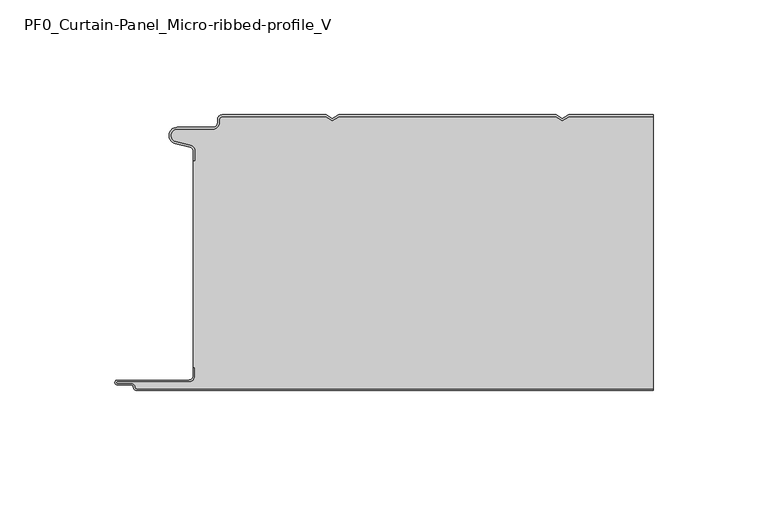
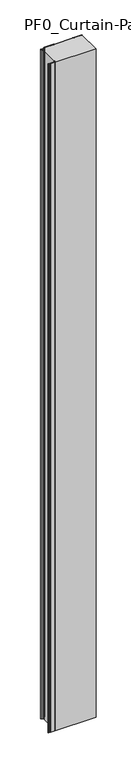
"""IFC4 building model written with IfcOpenShell, lengths in millimetres: plate geometry, PF0_Curtain-Panel_Micro-ribbed-profile_V."""

from ifc_helpers import new_model, si_unit, point, frame_2d, origin, origin_with_axes, place, context, project, spatial, polyline, circle_curve, trimmed, segment, composite_curve, outline, extrude, source, transform, mapped, element, save


def pf0_curtain_panel_micro_ribbed_profile_v_60fbdc9e(model_context):
    return source(origin(), model_context, "Body", "SweptSolid", [
        extrude(outline(composite_curve([segment(trimmed(circle_curve(frame_2d((-102.0, -15.878557)), 2.0), [point((-100.0, -15.878557))], [point((-101.5500978, -13.9298169))], True, "CARTESIAN"), True, "CONTINUOUS"), segment(polyline([(-101.5500978, -13.9298169), (-107.7098239, -12.507732)]), True, "CONTINUOUS"), segment(trimmed(circle_curve(frame_2d((-106.9, -9.0)), 3.6), [point((-107.7098239, -12.507732))], [point((-106.9, -5.4))], False, "CARTESIAN"), True, "CONTINUOUS"), segment(polyline([(-106.9, -5.4), (-91.4, -5.4)]), True, "CONTINUOUS"), segment(trimmed(circle_curve(frame_2d((-91.4, -3.4)), 2.0), [point((-91.4, -5.4))], [point((-89.4, -3.4))], True, "CARTESIAN"), True, "CONTINUOUS"), segment(polyline([(-89.4, -3.4), (-89.4, -2.0)]), True, "CONTINUOUS"), segment(trimmed(circle_curve(frame_2d((-87.4, -2.0)), 2.0), [point((-89.4, -2.0))], [point((-87.4, 0.0))], False, "CARTESIAN"), True, "CONTINUOUS"), segment(polyline([(-87.4, 0.0), (-42.0999995, 0.0), (-39.4, -1.5588455), (-36.7000005, 0.0), (57.9000005, 0.0), (60.6, -1.5588455), (63.2999995, 0.0), (100.0, 0.0), (100.0, -0.8), (63.5143588, -0.8), (60.6, -2.482606), (57.6856412, -0.8), (-36.4856412, -0.8), (-39.4, -2.482606), (-42.3143588, -0.8), (-87.4, -0.8)]), True, "CONTINUOUS"), segment(trimmed(circle_curve(frame_2d((-87.4, -2.0)), 1.2), [point((-87.4, -0.8))], [point((-88.6, -2.0))], True, "CARTESIAN"), True, "CONTINUOUS"), segment(polyline([(-88.6, -2.0), (-88.6, -3.4)]), True, "CONTINUOUS"), segment(trimmed(circle_curve(frame_2d((-91.4, -3.4)), 2.8), [point((-88.6, -3.4))], [point((-91.4, -6.2))], False, "CARTESIAN"), True, "CONTINUOUS"), segment(polyline([(-91.4, -6.2), (-106.9, -6.2)]), True, "CONTINUOUS"), segment(trimmed(circle_curve(frame_2d((-106.9, -9.0)), 2.8), [point((-106.9, -6.2))], [point((-107.529863, -11.7282362))], True, "CARTESIAN"), True, "CONTINUOUS"), segment(polyline([(-107.529863, -11.7282362), (-101.370137, -13.150321)]), True, "CONTINUOUS"), segment(trimmed(circle_curve(frame_2d((-102.0, -15.878557)), 2.8), [point((-101.370137, -13.150321))], [point((-99.2, -15.878557))], False, "CARTESIAN"), True, "CONTINUOUS"), segment(polyline([(-99.2, -15.878557), (-99.2, -20.0), (-100.0, -20.0), (-100.0, -15.878557)]), True, "CONTINUOUS")], self_intersect=False)), origin_with_axes(), (0.0, 0.0, 1.0), 3500.0),
        extrude(outline(composite_curve([segment(polyline([(-99.2, -110.0), (-100.0, -110.0), (-100.0, -20.0), (-99.2, -20.0), (-99.2, -15.878557)]), True, "CONTINUOUS"), segment(trimmed(circle_curve(frame_2d((-102.0, -15.878557)), 2.8), [point((-99.2, -15.878557))], [point((-101.370137, -13.1503208))], True, "CARTESIAN"), True, "CONTINUOUS"), segment(polyline([(-101.370137, -13.1503208), (-107.529863, -11.7282362)]), True, "CONTINUOUS"), segment(trimmed(circle_curve(frame_2d((-106.9, -9.0)), 2.8), [point((-107.529863, -11.7282362))], [point((-106.9, -6.2))], False, "CARTESIAN"), True, "CONTINUOUS"), segment(polyline([(-106.9, -6.2), (-91.4, -6.2)]), True, "CONTINUOUS"), segment(trimmed(circle_curve(frame_2d((-91.4, -3.4)), 2.8), [point((-91.4, -6.2))], [point((-88.6, -3.4))], True, "CARTESIAN"), True, "CONTINUOUS"), segment(polyline([(-88.6, -3.4), (-88.6, -2.0)]), True, "CONTINUOUS"), segment(trimmed(circle_curve(frame_2d((-87.4, -2.0)), 1.2), [point((-88.6, -2.0))], [point((-87.4, -0.8))], False, "CARTESIAN"), True, "CONTINUOUS"), segment(polyline([(-87.4, -0.8), (-42.3143588, -0.8), (-39.4, -2.482606), (-36.4856412, -0.8), (57.6856412, -0.8), (60.6, -2.482606), (63.5143588, -0.8), (100.0, -0.8), (100.0, -119.2), (-124.4, -119.2)]), True, "CONTINUOUS"), segment(trimmed(circle_curve(frame_2d((-124.4, -118.4)), 0.8), [point((-124.4, -119.2))], [point((-125.2, -118.4))], False, "CARTESIAN"), True, "CONTINUOUS"), segment(trimmed(circle_curve(frame_2d((-126.9, -118.6133333)), 1.7133333), [point((-125.2, -118.4))], [point((-126.9, -116.9))], True, "CARTESIAN"), True, "CONTINUOUS"), segment(polyline([(-126.9, -116.9), (-132.8700312, -116.9)]), True, "CONTINUOUS"), segment(trimmed(circle_curve(frame_2d((-132.8700312, -116.6)), 0.3), [point((-132.8700312, -116.9))], [point((-132.8700312, -116.3))], False, "CARTESIAN"), True, "CONTINUOUS"), segment(polyline([(-132.8700312, -116.3), (-102.0, -116.3)]), True, "CONTINUOUS"), segment(trimmed(circle_curve(frame_2d((-102.0, -113.5)), 2.8), [point((-102.0, -116.3))], [point((-99.2, -113.5))], True, "CARTESIAN"), True, "CONTINUOUS"), segment(polyline([(-99.2, -113.5), (-99.2, -110.0)]), True, "CONTINUOUS")], self_intersect=False)), origin_with_axes(), (0.0, 0.0, 1.0), 3500.0),
        extrude(outline(composite_curve([segment(polyline([(-100.0, -110.0), (-99.2, -110.0), (-99.2, -113.5)]), True, "CONTINUOUS"), segment(trimmed(circle_curve(frame_2d((-102.0, -113.5)), 2.8), [point((-99.2, -113.5))], [point((-102.0, -116.3))], False, "CARTESIAN"), True, "CONTINUOUS"), segment(polyline([(-102.0, -116.3), (-132.8700312, -116.3)]), True, "CONTINUOUS"), segment(trimmed(circle_curve(frame_2d((-132.8700312, -116.6)), 0.3), [point((-132.8700312, -116.3))], [point((-132.8700312, -116.9))], True, "CARTESIAN"), True, "CONTINUOUS"), segment(polyline([(-132.8700312, -116.9), (-126.9, -116.9)]), True, "CONTINUOUS"), segment(trimmed(circle_curve(frame_2d((-126.9, -118.6133333)), 1.7133333), [point((-126.9, -116.9))], [point((-125.2, -118.4))], False, "CARTESIAN"), True, "CONTINUOUS"), segment(trimmed(circle_curve(frame_2d((-124.4, -118.4)), 0.8), [point((-125.2, -118.4))], [point((-124.4, -119.2))], True, "CARTESIAN"), True, "CONTINUOUS"), segment(polyline([(-124.4, -119.2), (100.0, -119.2), (100.0, -120.0), (-124.4, -120.0)]), True, "CONTINUOUS"), segment(trimmed(circle_curve(frame_2d((-124.4, -118.4)), 1.6), [point((-124.4, -120.0))], [point((-126.0, -118.4))], False, "CARTESIAN"), True, "CONTINUOUS"), segment(trimmed(circle_curve(frame_2d((-126.9, -118.4)), 0.9), [point((-126.0, -118.4))], [point((-126.9, -117.5))], True, "CARTESIAN"), True, "CONTINUOUS"), segment(polyline([(-126.9, -117.5), (-133.0, -117.5)]), True, "CONTINUOUS"), segment(trimmed(circle_curve(frame_2d((-133.0, -116.5)), 1.0), [point((-133.0, -117.5))], [point((-133.0, -115.5))], False, "CARTESIAN"), True, "CONTINUOUS"), segment(polyline([(-133.0, -115.5), (-102.0, -115.5)]), True, "CONTINUOUS"), segment(trimmed(circle_curve(frame_2d((-102.0, -113.5)), 2.0), [point((-102.0, -115.5))], [point((-100.0, -113.5))], True, "CARTESIAN"), True, "CONTINUOUS"), segment(polyline([(-100.0, -113.5), (-100.0, -110.0)]), True, "CONTINUOUS")], self_intersect=False)), origin_with_axes(), (0.0, 0.0, 1.0), 3500.0),
    ])


if __name__ == "__main__":
    model = new_model("IFC4")
    model_context = context("Model", 3, world=origin())
    ifc_project = project(units=[si_unit("LENGTHUNIT", "METRE", prefix="MILLI")], contexts=[model_context])
    site = spatial("IfcSite", under=ifc_project)
    building = spatial("IfcBuilding", under=site)
    placement = place(None, origin())
    pf0_curtain_panel_micro_ribbed_profile_v_shape = pf0_curtain_panel_micro_ribbed_profile_v_60fbdc9e(model_context)
    element("IfcPlate", 1, ObjectType="PF0_Curtain-Panel_Micro-ribbed-profile_V", at=placement, inside=building, context=model_context, shape_type="MappedRepresentation", body=[
        mapped(pf0_curtain_panel_micro_ribbed_profile_v_shape, transform((0.0, 0.0, 0.0), x_axis=(1.0, 0.0, 0.0), y_axis=(0.0, 1.0, 0.0), z_axis=(0.0, 0.0, 1.0))),
    ])
    save(model, "model.ifc")
